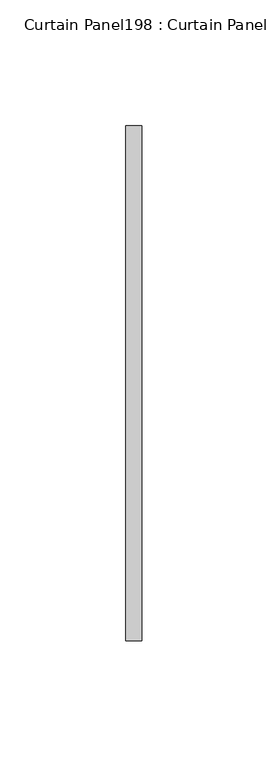
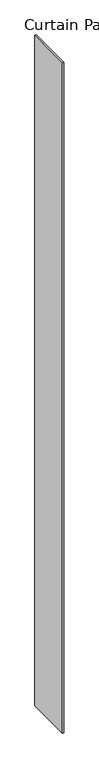
"""IFC4 building model written with IfcOpenShell, lengths in millimetres: plate geometry, Curtain Panel198 : Curtain Panel."""

from ifc_helpers import new_model, si_unit, frame, origin, place, context, project, spatial, polyline, outline, extrude, source, transform, mapped, element, save


def curtain_panel198_curtain_panel_23c94077(model_context):
    return source(origin(), model_context, "Body", "SweptSolid", [
        extrude(outline(polyline([(603206.3001813, 2730.5475836), (603206.3001813, 2934.8645736), (603212.6501813, 2934.8645736), (603212.6501813, 2730.5475836), (603206.3001813, 2730.5475836)])), frame((0.0, 0.0, 4959.7989371), z_axis=(0.0, 0.0, 1.0), x_axis=(1.0, 0.0, 0.0)), (0.0, 0.0, 1.0), 3048.0),
    ])


if __name__ == "__main__":
    model = new_model("IFC4")
    model_context = context("Model", 3, world=origin())
    ifc_project = project(units=[si_unit("LENGTHUNIT", "METRE", prefix="MILLI")], contexts=[model_context])
    site = spatial("IfcSite", under=ifc_project)
    building = spatial("IfcBuilding", under=site)
    placement = place(None, origin())
    curtain_panel198_curtain_panel_shape = curtain_panel198_curtain_panel_23c94077(model_context)
    element("IfcPlate", 1, ObjectType="Curtain Panel198 : Curtain Panel", at=placement, inside=building, context=model_context, shape_type="MappedRepresentation", body=[
        mapped(curtain_panel198_curtain_panel_shape, transform((0.0, 0.0, 0.0), x_axis=(1.0, 0.0, 0.0), y_axis=(0.0, 1.0, 0.0), z_axis=(0.0, 0.0, 1.0))),
    ])
    save(model, "model.ifc")
